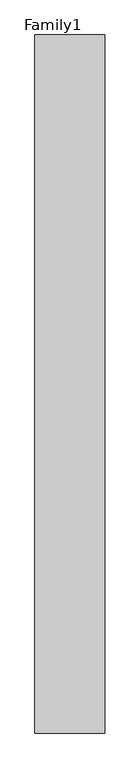
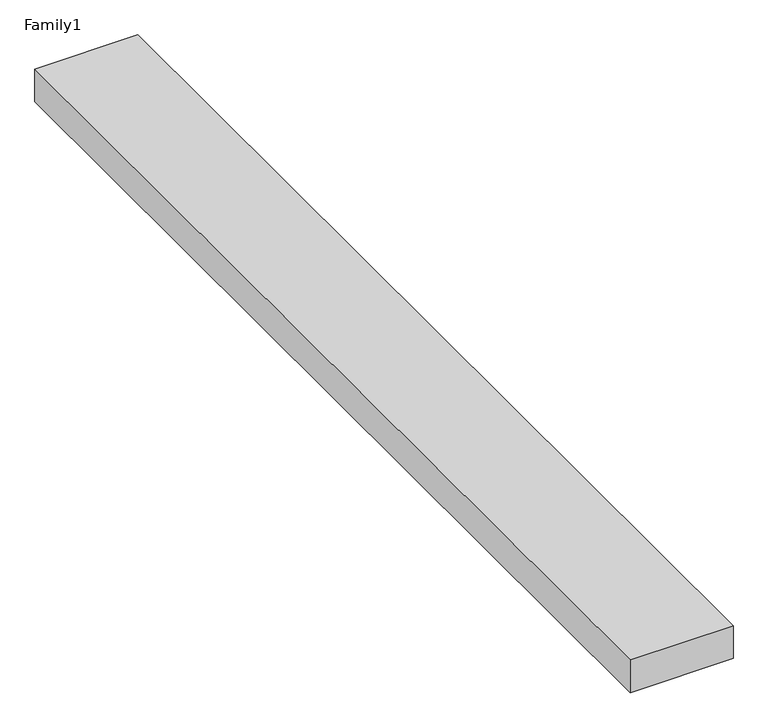
"""IFC4 building model written with IfcOpenShell, lengths in millimetres: proxy geometry, Family1."""

from ifc_helpers import new_model, si_unit, origin, origin_with_axes, place, context, project, spatial, polyline, outline, extrude, source, transform, mapped, element, save


def family1_43ec6006(model_context):
    return source(origin(), model_context, "Body", "SweptSolid", [
        extrude(outline(polyline([(5000.0, 0.0), (0.0, 0.0), (0.0, 50000.0), (5000.0, 50000.0), (5000.0, 0.0)])), origin_with_axes(), (0.0, 0.0, 1.0), 1684.0),
    ])


if __name__ == "__main__":
    model = new_model("IFC4")
    model_context = context("Model", 3, world=origin())
    ifc_project = project(units=[si_unit("LENGTHUNIT", "METRE", prefix="MILLI")], contexts=[model_context])
    site = spatial("IfcSite", under=ifc_project)
    building = spatial("IfcBuilding", under=site)
    placement = place(None, origin())
    family1_shape = family1_43ec6006(model_context)
    element("IfcBuildingElementProxy", 1, Name="Family1", ObjectType="Family1", at=placement, inside=building, context=model_context, shape_type="MappedRepresentation", body=[
        mapped(family1_shape, transform((0.0, 0.0, 0.0), x_axis=(1.0, 0.0, 0.0), y_axis=(0.0, 1.0, 0.0), z_axis=(0.0, 0.0, 1.0))),
    ])
    save(model, "model.ifc")
